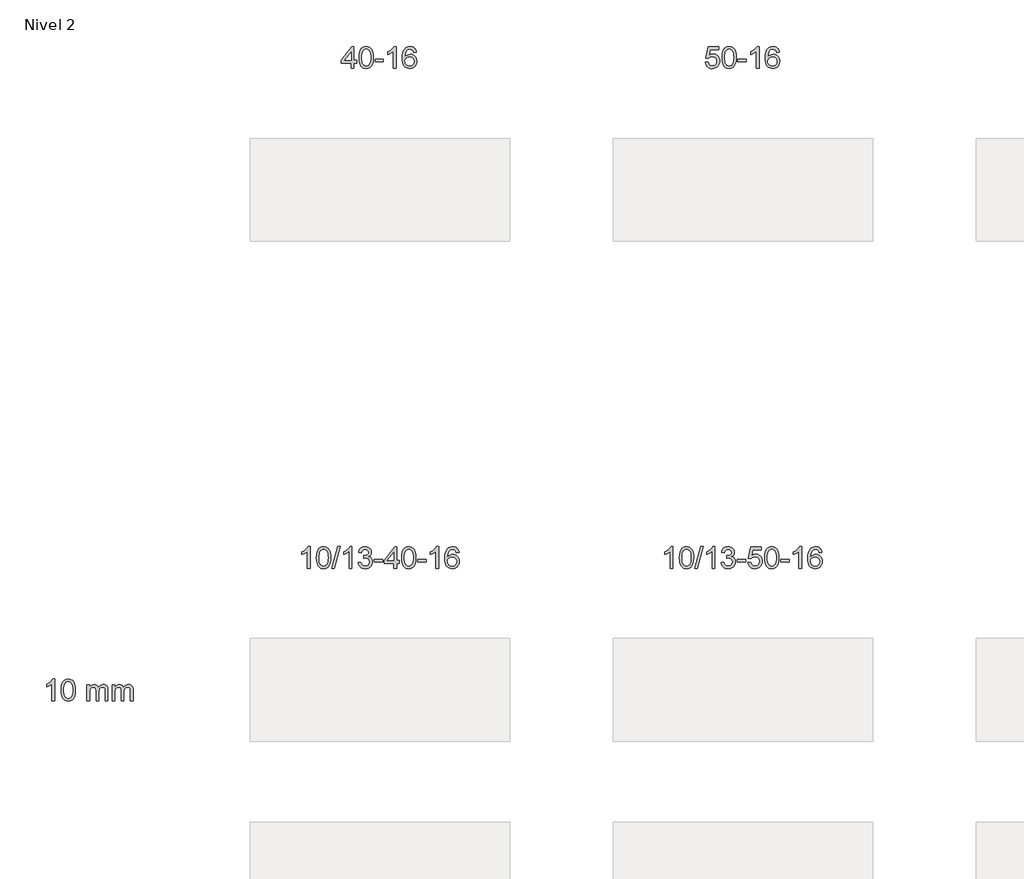
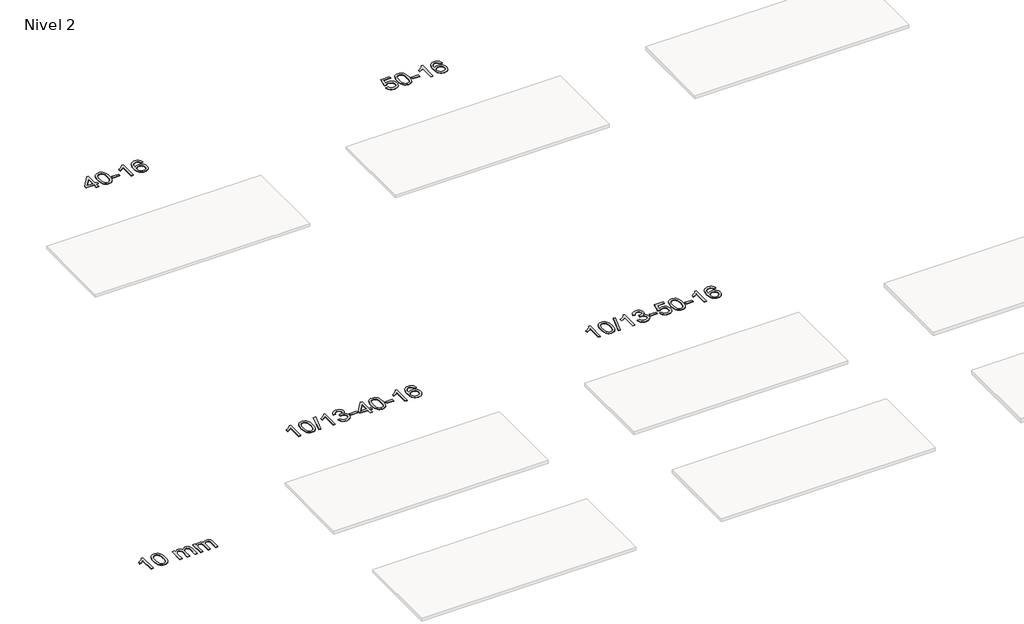
# One storey, part 6 of 51: 5 proxies.
"""IFC4 building model written with IfcOpenShell, lengths in millimetres."""

from ifc_helpers import new_model, si_unit, frame, origin, place, context, project, spatial, polyline, outline, extrude, element, save

model = new_model("IFC4")

# Units and contexts
model_context = context("Model", 3, world=origin())
ifc_project = project(units=[si_unit("LENGTHUNIT", "METRE", prefix="MILLI")], contexts=[model_context])

# Site, building, storey
site = spatial("IfcSite", under=ifc_project)
building = spatial("IfcBuilding", under=site)
storey = spatial("IfcBuildingStorey", under=building, Name="Nivel 2", Elevation=3000.0)

# Proxies
placement = place(None, origin())
element("IfcBuildingElementProxy", 1, Name="Texto de modelo 1", ObjectType="Texto de modelo 1", at=placement, inside=storey, context=model_context, shape_type="SweptSolid", body=[
    extrude(outline(polyline([(-8228.5544368, -95605.4474555), (-8228.5544368, -95511.2696648), (-8410.6314989, -95511.2696648), (-8410.6314989, -95461.0415097), (-8215.997398, -95209.9007343), (-8178.3262817, -95209.9007343), (-8178.3262817, -95461.0415097), (-8128.0981266, -95461.0415097), (-8128.0981266, -95511.2696648), (-8178.3262817, -95511.2696648), (-8178.3262817, -95605.4474555), (-8228.5544368, -95605.4474555)]), holes=[polyline([(-8228.5544368, -95461.0415097), (-8228.5544368, -95305.8443587), (-8348.8273237, -95461.0415097), (-8228.5544368, -95461.0415097)])]), frame((0.0, 0.0, 3000.0), z_axis=(0.0, 0.0, 1.0), x_axis=(1.0, 0.0, 0.0)), (0.0, 0.0, 1.0), 10.0),
    extrude(outline(polyline([(-8084.1484909, -95407.7721968), (-8080.4574082, -95343.4541613), (-8069.3841602, -95292.1591484), (-8051.0391114, -95253.1023433), (-8039.1810484, -95237.868963), (-8025.5326264, -95225.4989309), (-8010.04786, -95215.9278677), (-7992.6807642, -95209.0913939), (-7952.2995838, -95203.6222149), (-7921.3484453, -95206.8595765), (-7893.6346683, -95216.5716612), (-7870.4581027, -95232.3783242), (-7853.1185979, -95253.8994209), (-7840.0219989, -95280.9510103), (-7829.5741503, -95313.3491514), (-7822.7315451, -95354.4906212), (-7820.4506768, -95407.7721968), (-7824.1049713, -95471.7223503), (-7835.0678547, -95522.8947358), (-7853.3025389, -95561.9883292), (-7865.1330108, -95577.2676947), (-7878.7722357, -95589.7021061), (-7894.2753962, -95599.3375487), (-7911.6976743, -95606.2200077), (-7952.2995838, -95611.7259749), (-7979.9643099, -95609.334742), (-8004.4897762, -95602.161043), (-8025.8759829, -95590.2048782), (-8044.1229298, -95573.4662474), (-8061.6341128, -95543.2079533), (-8074.1421006, -95505.5061802), (-8081.6468933, -95460.360928), (-8084.1484909, -95407.7721968)]), holes=[polyline([(-8033.9203358, -95407.6740949), (-8032.4488079, -95451.3386221), (-8028.0342239, -95486.6828848), (-8020.676584, -95513.706883), (-8010.3758882, -95532.4106168), (-7997.9169512, -95545.1362681), (-7984.0845882, -95554.2260191), (-7968.8787991, -95559.6798697), (-7952.2995838, -95561.4978198), (-7935.7203686, -95559.6737383), (-7920.5145795, -95554.2014936), (-7906.6822164, -95545.0810858), (-7894.2232795, -95532.3125149), (-7883.9225837, -95513.5781243), (-7876.5649438, -95486.5602574), (-7872.1503598, -95451.2589143), (-7870.6788318, -95407.6740949), (-7872.1013089, -95365.1653304), (-7876.36874, -95330.4434014), (-7883.4811253, -95303.508308), (-7893.4384646, -95284.3600501), (-7905.6889351, -95271.0120651), (-7919.6807136, -95261.47779), (-7935.4138003, -95255.757225), (-7952.888195, -95253.85037), (-7969.3815712, -95255.5303645), (-7984.3298429, -95260.5703478), (-7997.7330103, -95268.97032), (-8009.5910732, -95280.7302811), (-8020.2351256, -95301.5769275), (-8027.8380202, -95329.683112), (-8032.3997569, -95365.0488344), (-8033.9203358, -95407.6740949)])]), frame((0.0, 0.0, 3000.0), z_axis=(0.0, 0.0, 1.0), x_axis=(1.0, 0.0, 0.0)), (0.0, 0.0, 1.0), 10.0),
    extrude(outline(polyline([(-7789.0580799, -95486.1555872), (-7789.0580799, -95435.9274322), (-7632.0950952, -95435.9274322), (-7632.0950952, -95486.1555872), (-7789.0580799, -95486.1555872)])), frame((0.0, 0.0, 3000.0), z_axis=(0.0, 0.0, 1.0), x_axis=(1.0, 0.0, 0.0)), (0.0, 0.0, 1.0), 10.0),
    extrude(outline(polyline([(-7399.789878, -95605.4474555), (-7450.0180331, -95605.4474555), (-7450.0180331, -95292.3063012), (-7470.9873068, -95309.2656612), (-7497.5974378, -95326.2004957), (-7550.4743432, -95351.5598279), (-7550.4743432, -95304.0785251), (-7511.0251306, -95282.618742), (-7476.8488933, -95257.0877316), (-7449.9076685, -95229.9380403), (-7432.1634936, -95203.6222149), (-7399.789878, -95203.6222149), (-7399.789878, -95605.4474555)])), frame((0.0, 0.0, 3000.0), z_axis=(0.0, 0.0, 1.0), x_axis=(1.0, 0.0, 0.0)), (0.0, 0.0, 1.0), 10.0),
    extrude(outline(polyline([(-7023.078715, -95310.3570445), (-7073.30687, -95316.6355639), (-7081.4002739, -95291.7422155), (-7092.3386319, -95274.7460673), (-7115.1227902, -95259.0742943), (-7142.6648889, -95253.85037), (-7166.0131328, -95256.8915278), (-7187.9879507, -95266.0150013), (-7206.860297, -95285.2307042), (-7222.2745526, -95311.6814197), (-7232.6856131, -95349.0950186), (-7236.548374, -95401.1993718), (-7216.4007034, -95377.6917123), (-7192.2553818, -95361.1247598), (-7165.4613098, -95351.3023105), (-7137.3673881, -95348.0281608), (-7113.2343292, -95350.2661096), (-7090.9652058, -95356.979956), (-7070.5600178, -95368.1697), (-7052.0187652, -95383.8353416), (-7036.610641, -95403.0449132), (-7025.604838, -95424.8664468), (-7019.0013562, -95449.2999427), (-7016.8001956, -95476.3454007), (-7020.9449994, -95512.3119971), (-7033.3794108, -95545.6543686), (-7053.0733603, -95573.9322313), (-7078.9967782, -95594.7053013), (-7109.9724422, -95607.4708065), (-7144.8231299, -95611.7259749), (-7174.7656586, -95608.9055463), (-7201.808051, -95600.4442604), (-7225.9503069, -95586.3421173), (-7247.1924264, -95566.5991168), (-7264.5104713, -95540.3813933), (-7276.8805034, -95506.8550808), (-7284.3025227, -95466.0201794), (-7286.7765291, -95417.8766889), (-7284.0296769, -95363.9022689), (-7275.7891202, -95317.8373117), (-7262.054859, -95279.6818174), (-7242.8268934, -95249.4357861), (-7221.9863784, -95229.3923487), (-7197.8226627, -95215.0756077), (-7170.3357463, -95206.4855631), (-7139.5256292, -95203.6222149), (-7116.391983, -95205.3941799), (-7095.4533661, -95210.7100747), (-7076.7097785, -95219.5698994), (-7060.1612201, -95231.973654), (-7046.2552807, -95247.5044056), (-7035.43955, -95265.7452212), (-7027.7140281, -95286.6961008), (-7023.078715, -95310.3570445)]), holes=[polyline([(-7236.548374, -95475.5605858), (-7233.6421063, -95497.8174465), (-7224.923303, -95519.0687631), (-7211.3852456, -95537.3402355), (-7194.0212154, -95550.6575637), (-7173.0642044, -95558.7877558), (-7148.7472045, -95561.4978198), (-7115.6010367, -95555.8814881), (-7101.6859003, -95548.8610733), (-7089.5427288, -95539.0324927), (-7079.6926883, -95526.794285), (-7072.6569452, -95512.544989), (-7067.0283507, -95478.0131324), (-7072.5833688, -95444.8669646), (-7079.5271414, -95431.2461338), (-7089.2484232, -95419.5934716), (-7101.4283829, -95410.2584659), (-7115.7481895, -95403.5906048), (-7150.8073437, -95398.2563159), (-7183.9044605, -95403.5906048), (-7211.5814493, -95419.5934716), (-7222.5044789, -95431.0928496), (-7230.3066428, -95444.253828), (-7234.9879412, -95459.0764067), (-7236.548374, -95475.5605858)])]), frame((0.0, 0.0, 3000.0), z_axis=(0.0, 0.0, 1.0), x_axis=(1.0, 0.0, 0.0)), (0.0, 0.0, 1.0), 10.0),
])
element("IfcBuildingElementProxy", 2, Name="Texto de modelo 1", ObjectType="Texto de modelo 1", at=placement, inside=storey, context=model_context, shape_type="SweptSolid", body=[
    extrude(outline(polyline([(-1676.8554059, -95498.712626), (-1626.6272509, -95492.4341066), (-1617.4056755, -95522.5881675), (-1601.3169696, -95544.1828406), (-1578.4347095, -95557.169075), (-1548.8324716, -95561.4978198), (-1529.7026079, -95559.9925694), (-1512.829087, -95555.4768179), (-1498.2119091, -95547.9505654), (-1485.851074, -95537.4138119), (-1476.0224934, -95524.3877236), (-1469.0020787, -95509.3934666), (-1463.3857469, -95473.5004466), (-1468.6464594, -95439.704354), (-1475.2223501, -95425.7861518), (-1484.428597, -95413.8545124), (-1496.295857, -95404.2834492), (-1510.854787, -95397.4469755), (-1548.0476567, -95391.9777965), (-1572.4137075, -95394.160563), (-1592.1444452, -95400.7088625), (-1607.9020573, -95410.7397782), (-1620.3487315, -95423.3703934), (-1670.5768865, -95417.091874), (-1626.6272509, -95209.9007343), (-1431.9931499, -95209.9007343), (-1431.9931499, -95260.1288894), (-1586.0130786, -95260.1288894), (-1607.4973871, -95370.7877935), (-1589.7716063, -95358.083602), (-1571.6166298, -95349.0091794), (-1553.0324577, -95343.5645259), (-1534.0190899, -95341.7496414), (-1509.5580029, -95343.9998529), (-1487.0896101, -95350.7504875), (-1466.6139114, -95362.0015452), (-1448.1309068, -95377.753026), (-1432.8300815, -95397.0423053), (-1421.9009205, -95418.9067585), (-1415.343424, -95443.3463857), (-1413.1575918, -95470.3611869), (-1415.1257605, -95496.3827067), (-1421.0302665, -95520.589342), (-1430.8711099, -95542.9810928), (-1444.6482906, -95563.557959), (-1465.5194624, -95584.631466), (-1489.8732505, -95599.6839709), (-1517.7096548, -95608.7154739), (-1549.0286753, -95611.7259749), (-1574.9490276, -95609.7915288), (-1598.3616509, -95603.9881903), (-1619.2665453, -95594.3159595), (-1637.6637107, -95580.7748364), (-1652.9706674, -95564.0392713), (-1664.6049355, -95544.7837145), (-1672.566515, -95523.0081661), (-1676.8554059, -95498.712626)])), frame((0.0, 0.0, 3000.0), z_axis=(0.0, 0.0, 1.0), x_axis=(1.0, 0.0, 0.0)), (0.0, 0.0, 1.0), 10.0),
    extrude(outline(polyline([(-1369.2079561, -95407.7721968), (-1365.5168734, -95343.4541613), (-1354.4436254, -95292.1591484), (-1336.0985765, -95253.1023433), (-1324.2405135, -95237.868963), (-1310.5920915, -95225.4989309), (-1295.1073252, -95215.9278677), (-1277.7402294, -95209.0913939), (-1237.359049, -95203.6222149), (-1206.4079105, -95206.8595765), (-1178.6941335, -95216.5716612), (-1155.5175678, -95232.3783242), (-1138.1780631, -95253.8994209), (-1125.0814641, -95280.9510103), (-1114.6336154, -95313.3491514), (-1107.7910103, -95354.4906212), (-1105.510142, -95407.7721968), (-1109.1644364, -95471.7223503), (-1120.1273199, -95522.8947358), (-1138.3620041, -95561.9883292), (-1150.1924759, -95577.2676947), (-1163.8317009, -95589.7021061), (-1179.3348613, -95599.3375487), (-1196.7571395, -95606.2200077), (-1237.359049, -95611.7259749), (-1265.0237751, -95609.334742), (-1289.5492414, -95602.161043), (-1310.9354481, -95590.2048782), (-1329.182395, -95573.4662474), (-1346.693578, -95543.2079533), (-1359.2015658, -95505.5061802), (-1366.7063585, -95460.360928), (-1369.2079561, -95407.7721968)]), holes=[polyline([(-1318.979801, -95407.6740949), (-1317.508273, -95451.3386221), (-1313.0936891, -95486.6828848), (-1305.7360492, -95513.706883), (-1295.4353533, -95532.4106168), (-1282.9764164, -95545.1362681), (-1269.1440534, -95554.2260191), (-1253.9382643, -95559.6798697), (-1237.359049, -95561.4978198), (-1220.7798338, -95559.6737383), (-1205.5740446, -95554.2014936), (-1191.7416816, -95545.0810858), (-1179.2827447, -95532.3125149), (-1168.9820489, -95513.5781243), (-1161.6244089, -95486.5602574), (-1157.209825, -95451.2589143), (-1155.738297, -95407.6740949), (-1157.1607741, -95365.1653304), (-1161.4282052, -95330.4434014), (-1168.5405905, -95303.508308), (-1178.4979298, -95284.3600501), (-1190.7484002, -95271.0120651), (-1204.7401788, -95261.47779), (-1220.4732654, -95255.757225), (-1237.9476602, -95253.85037), (-1254.4410363, -95255.5303645), (-1269.3893081, -95260.5703478), (-1282.7924754, -95268.97032), (-1294.6505384, -95280.7302811), (-1305.2945908, -95301.5769275), (-1312.8974854, -95329.683112), (-1317.4592221, -95365.0488344), (-1318.979801, -95407.6740949)])]), frame((0.0, 0.0, 3000.0), z_axis=(0.0, 0.0, 1.0), x_axis=(1.0, 0.0, 0.0)), (0.0, 0.0, 1.0), 10.0),
    extrude(outline(polyline([(-1074.117545, -95486.1555872), (-1074.117545, -95435.9274322), (-917.1545604, -95435.9274322), (-917.1545604, -95486.1555872), (-1074.117545, -95486.1555872)])), frame((0.0, 0.0, 3000.0), z_axis=(0.0, 0.0, 1.0), x_axis=(1.0, 0.0, 0.0)), (0.0, 0.0, 1.0), 10.0),
    extrude(outline(polyline([(-684.8493432, -95605.4474555), (-735.0774983, -95605.4474555), (-735.0774983, -95292.3063012), (-756.046772, -95309.2656612), (-782.656903, -95326.2004957), (-835.5338084, -95351.5598279), (-835.5338084, -95304.0785251), (-796.0845958, -95282.618742), (-761.9083585, -95257.0877316), (-734.9671337, -95229.9380403), (-717.2229588, -95203.6222149), (-684.8493432, -95203.6222149), (-684.8493432, -95605.4474555)])), frame((0.0, 0.0, 3000.0), z_axis=(0.0, 0.0, 1.0), x_axis=(1.0, 0.0, 0.0)), (0.0, 0.0, 1.0), 10.0),
    extrude(outline(polyline([(-308.1381801, -95310.3570445), (-358.3663352, -95316.6355639), (-366.4597391, -95291.7422155), (-377.3980971, -95274.7460673), (-400.1822553, -95259.0742943), (-427.724354, -95253.85037), (-451.072598, -95256.8915278), (-473.0474158, -95266.0150013), (-491.9197622, -95285.2307042), (-507.3340178, -95311.6814197), (-517.7450783, -95349.0950186), (-521.6078392, -95401.1993718), (-501.4601686, -95377.6917123), (-477.314847, -95361.1247598), (-450.520775, -95351.3023105), (-422.4268533, -95348.0281608), (-398.2937944, -95350.2661096), (-376.024671, -95356.979956), (-355.619483, -95368.1697), (-337.0782304, -95383.8353416), (-321.6701062, -95403.0449132), (-310.6643032, -95424.8664468), (-304.0608214, -95449.2999427), (-301.8596608, -95476.3454007), (-306.0044646, -95512.3119971), (-318.438876, -95545.6543686), (-338.1328255, -95573.9322313), (-364.0562434, -95594.7053013), (-395.0319074, -95607.4708065), (-429.8825951, -95611.7259749), (-459.8251238, -95608.9055463), (-486.8675161, -95600.4442604), (-511.0097721, -95586.3421173), (-532.2518916, -95566.5991168), (-549.5699365, -95540.3813933), (-561.9399686, -95506.8550808), (-569.3619879, -95466.0201794), (-571.8359943, -95417.8766889), (-569.089142, -95363.9022689), (-560.8485854, -95317.8373117), (-547.1143242, -95279.6818174), (-527.8863586, -95249.4357861), (-507.0458436, -95229.3923487), (-482.8821278, -95215.0756077), (-455.3952114, -95206.4855631), (-424.5850943, -95203.6222149), (-401.4514482, -95205.3941799), (-380.5128313, -95210.7100747), (-361.7692437, -95219.5698994), (-345.2206853, -95231.973654), (-331.3147458, -95247.5044056), (-320.4990152, -95265.7452212), (-312.7734933, -95286.6961008), (-308.1381801, -95310.3570445)]), holes=[polyline([(-521.6078392, -95475.5605858), (-518.7015714, -95497.8174465), (-509.9827682, -95519.0687631), (-496.4447107, -95537.3402355), (-479.0806806, -95550.6575637), (-458.1236696, -95558.7877558), (-433.8066697, -95561.4978198), (-400.6605019, -95555.8814881), (-386.7453655, -95548.8610733), (-374.6021939, -95539.0324927), (-364.7521535, -95526.794285), (-357.7164104, -95512.544989), (-352.0878158, -95478.0131324), (-357.642834, -95444.8669646), (-364.5866066, -95431.2461338), (-374.3078883, -95419.5934716), (-386.4878481, -95410.2584659), (-400.8076547, -95403.5906048), (-435.8668089, -95398.2563159), (-468.9639257, -95403.5906048), (-496.6409145, -95419.5934716), (-507.563944, -95431.0928496), (-515.366108, -95444.253828), (-520.0474064, -95459.0764067), (-521.6078392, -95475.5605858)])]), frame((0.0, 0.0, 3000.0), z_axis=(0.0, 0.0, 1.0), x_axis=(1.0, 0.0, 0.0)), (0.0, 0.0, 1.0), 10.0),
])
element("IfcBuildingElementProxy", 3, Name="Texto de modelo 1", ObjectType="Texto de modelo 1", at=placement, inside=storey, context=model_context, shape_type="SweptSolid", body=[
    extrude(outline(polyline([(-8991.394542, -104863.8281584), (-9041.622697, -104863.8281584), (-9041.622697, -104550.6870041), (-9062.5919708, -104567.6463641), (-9089.2021017, -104584.5811986), (-9142.0790072, -104609.9405308), (-9142.0790072, -104562.459228), (-9102.6297946, -104540.9994449), (-9068.4535572, -104515.4684345), (-9041.5123324, -104488.3187432), (-9023.7681575, -104462.0029178), (-8991.394542, -104462.0029178), (-8991.394542, -104863.8281584)])), frame((0.0, 0.0, 3000.0), z_axis=(0.0, 0.0, 1.0), x_axis=(1.0, 0.0, 0.0)), (0.0, 0.0, 1.0), 10.0),
    extrude(outline(polyline([(-8872.1026737, -104666.1528997), (-8868.411591, -104601.8348642), (-8857.3383429, -104550.5398513), (-8838.9932941, -104511.4830462), (-8827.1352311, -104496.2496659), (-8813.4868091, -104483.8796338), (-8798.0020428, -104474.3085706), (-8780.6349469, -104467.4720968), (-8740.2537666, -104462.0029178), (-8709.3026281, -104465.2402794), (-8681.5888511, -104474.9523641), (-8658.4122854, -104490.7590271), (-8641.0727807, -104512.2801238), (-8627.9761817, -104539.3317132), (-8617.528333, -104571.7298543), (-8610.6857279, -104612.8713241), (-8608.4048595, -104666.1528997), (-8612.059154, -104730.1030532), (-8623.0220375, -104781.2754387), (-8641.2567217, -104820.3690321), (-8653.0871935, -104835.6483976), (-8666.7264185, -104848.082809), (-8682.2295789, -104857.7182516), (-8699.651857, -104864.6007106), (-8740.2537666, -104870.1066778), (-8767.9184926, -104867.7154449), (-8792.443959, -104860.5417459), (-8813.8301656, -104848.5855811), (-8832.0771126, -104831.8469503), (-8849.5882955, -104801.5886562), (-8862.0962834, -104763.8868831), (-8869.6010761, -104718.7416309), (-8872.1026737, -104666.1528997)]), holes=[polyline([(-8821.8745186, -104666.0547978), (-8820.4029906, -104709.719325), (-8815.9884067, -104745.0635877), (-8808.6307668, -104772.0875859), (-8798.3300709, -104790.7913197), (-8785.871134, -104803.516971), (-8772.038771, -104812.606722), (-8756.8329818, -104818.0605726), (-8740.2537666, -104819.8785227), (-8723.6745513, -104818.0544412), (-8708.4687622, -104812.5821965), (-8694.6363992, -104803.4617887), (-8682.1774623, -104790.6932178), (-8671.8767664, -104771.9588272), (-8664.5191265, -104744.9409603), (-8660.1045426, -104709.6396172), (-8658.6330146, -104666.0547978), (-8660.0554916, -104623.5460333), (-8664.3229228, -104588.8241043), (-8671.435308, -104561.8890109), (-8681.3926474, -104542.740753), (-8693.6431178, -104529.392768), (-8707.6348963, -104519.8584929), (-8723.367983, -104514.1379279), (-8740.8423778, -104512.2310729), (-8757.3357539, -104513.9110674), (-8772.2840256, -104518.9510507), (-8785.687193, -104527.3510229), (-8797.545256, -104539.110984), (-8808.1893084, -104559.9576304), (-8815.7922029, -104588.0638149), (-8820.3539397, -104623.4295373), (-8821.8745186, -104666.0547978)])]), frame((0.0, 0.0, 3000.0), z_axis=(0.0, 0.0, 1.0), x_axis=(1.0, 0.0, 0.0)), (0.0, 0.0, 1.0), 10.0),
    extrude(outline(polyline([(-8589.5693014, -104863.8281584), (-8476.5559524, -104462.0029178), (-8431.2328906, -104462.0029178), (-8544.2462396, -104863.8281584), (-8589.5693014, -104863.8281584)])), frame((0.0, 0.0, 3000.0), z_axis=(0.0, 0.0, 1.0), x_axis=(1.0, 0.0, 0.0)), (0.0, 0.0, 1.0), 10.0),
    extrude(outline(polyline([(-8219.1366577, -104863.8281584), (-8269.3648128, -104863.8281584), (-8269.3648128, -104550.6870041), (-8290.3340865, -104567.6463641), (-8316.9442175, -104584.5811986), (-8369.8211229, -104609.9405308), (-8369.8211229, -104562.459228), (-8330.3719103, -104540.9994449), (-8296.1956729, -104515.4684345), (-8269.2544482, -104488.3187432), (-8251.5102733, -104462.0029178), (-8219.1366577, -104462.0029178), (-8219.1366577, -104863.8281584)])), frame((0.0, 0.0, 3000.0), z_axis=(0.0, 0.0, 1.0), x_axis=(1.0, 0.0, 0.0)), (0.0, 0.0, 1.0), 10.0),
    extrude(outline(polyline([(-8099.8447894, -104757.0933289), (-8049.6166343, -104750.8148095), (-8038.371708, -104782.3790847), (-8021.9028573, -104803.691715), (-7999.400742, -104815.8318208), (-7970.0560215, -104819.8785227), (-7935.6222667, -104814.3112419), (-7921.3484453, -104807.3521408), (-7909.0366612, -104797.6093993), (-7892.040513, -104772.6915255), (-7886.3751303, -104742.476151), (-7891.9914621, -104713.7936181), (-7908.8404575, -104690.5312132), (-7934.3469425, -104675.1169576), (-7965.9357431, -104669.9788724), (-8001.1543128, -104675.4725769), (-7995.5625065, -104625.2444218), (-7987.5181535, -104625.833033), (-7957.4254063, -104622.2277895), (-7930.5209697, -104611.4120588), (-7919.4477217, -104603.2328158), (-7911.5382588, -104593.1160609), (-7906.792581, -104581.0617942), (-7905.2106885, -104567.0700157), (-7909.7969507, -104545.3772407), (-7923.5557373, -104527.7802186), (-7944.5495365, -104516.1183593), (-7970.8408364, -104512.2310729), (-7997.1811873, -104516.1551475), (-8018.7145467, -104527.9273714), (-8034.4353706, -104547.5477445), (-8043.3381149, -104575.0162668), (-8093.56627, -104568.7377474), (-8087.612713, -104544.7579727), (-8078.7774138, -104523.6354148), (-8067.0603722, -104505.3700737), (-8052.4615884, -104489.9619495), (-8035.4409148, -104477.7298731), (-8016.4582038, -104468.9926757), (-7995.5134555, -104463.7503573), (-7972.60667, -104462.0029178), (-7941.0301321, -104465.4487459), (-7912.0287681, -104475.7862299), (-7887.5768782, -104492.095665), (-7869.6487623, -104513.4573462), (-7858.6490906, -104538.0686517), (-7854.9825334, -104564.1269597), (-7858.4651496, -104588.4071714), (-7868.9129983, -104610.4310402), (-7886.1789266, -104629.1930219), (-7910.1157817, -104643.6875725), (-7878.6741339, -104656.3917641), (-7855.3749408, -104678.0232254), (-7840.9539666, -104707.4047341), (-7836.1469752, -104743.3590678), (-7838.5504709, -104768.8410273), (-7845.760958, -104792.3118986), (-7857.7784366, -104813.7716816), (-7874.6029065, -104833.2203764), (-7895.100065, -104849.3581333), (-7918.1356092, -104860.8851025), (-7943.7095393, -104867.801284), (-7971.8218551, -104870.1066778), (-7997.2302382, -104868.1385091), (-8020.3822784, -104862.2340031), (-8041.2779757, -104852.3931598), (-8059.9173302, -104838.615979), (-8075.5461836, -104821.7118014), (-8087.4103779, -104802.4899671), (-8095.5099132, -104780.9504763), (-8099.8447894, -104757.0933289)])), frame((0.0, 0.0, 3000.0), z_axis=(0.0, 0.0, 1.0), x_axis=(1.0, 0.0, 0.0)), (0.0, 0.0, 1.0), 10.0),
    extrude(outline(polyline([(-7804.7543783, -104744.5362901), (-7804.7543783, -104694.3081351), (-7647.7913937, -104694.3081351), (-7647.7913937, -104744.5362901), (-7804.7543783, -104744.5362901)])), frame((0.0, 0.0, 3000.0), z_axis=(0.0, 0.0, 1.0), x_axis=(1.0, 0.0, 0.0)), (0.0, 0.0, 1.0), 10.0),
    extrude(outline(polyline([(-7440.600254, -104863.8281584), (-7440.600254, -104769.6503677), (-7622.6773162, -104769.6503677), (-7622.6773162, -104719.4222126), (-7428.0432153, -104468.2814372), (-7390.3720989, -104468.2814372), (-7390.3720989, -104719.4222126), (-7340.1439439, -104719.4222126), (-7340.1439439, -104769.6503677), (-7390.3720989, -104769.6503677), (-7390.3720989, -104863.8281584), (-7440.600254, -104863.8281584)]), holes=[polyline([(-7440.600254, -104719.4222126), (-7440.600254, -104564.2250616), (-7560.873141, -104719.4222126), (-7440.600254, -104719.4222126)])]), frame((0.0, 0.0, 3000.0), z_axis=(0.0, 0.0, 1.0), x_axis=(1.0, 0.0, 0.0)), (0.0, 0.0, 1.0), 10.0),
    extrude(outline(polyline([(-7296.1943082, -104666.1528997), (-7292.5032255, -104601.8348642), (-7281.4299774, -104550.5398513), (-7263.0849286, -104511.4830462), (-7251.2268656, -104496.2496659), (-7237.5784436, -104483.8796338), (-7222.0936773, -104474.3085706), (-7204.7265814, -104467.4720968), (-7164.3454011, -104462.0029178), (-7133.3942626, -104465.2402794), (-7105.6804856, -104474.9523641), (-7082.5039199, -104490.7590271), (-7065.1644152, -104512.2801238), (-7052.0678162, -104539.3317132), (-7041.6199675, -104571.7298543), (-7034.7773624, -104612.8713241), (-7032.496494, -104666.1528997), (-7036.1507885, -104730.1030532), (-7047.113672, -104781.2754387), (-7065.3483562, -104820.3690321), (-7077.178828, -104835.6483976), (-7090.818053, -104848.082809), (-7106.3212134, -104857.7182516), (-7123.7434916, -104864.6007106), (-7164.3454011, -104870.1066778), (-7192.0101271, -104867.7154449), (-7216.5355935, -104860.5417459), (-7237.9218001, -104848.5855811), (-7256.1687471, -104831.8469503), (-7273.6799301, -104801.5886562), (-7286.1879179, -104763.8868831), (-7293.6927106, -104718.7416309), (-7296.1943082, -104666.1528997)]), holes=[polyline([(-7245.9661531, -104666.0547978), (-7244.4946251, -104709.719325), (-7240.0800412, -104745.0635877), (-7232.7224013, -104772.0875859), (-7222.4217054, -104790.7913197), (-7209.9627685, -104803.516971), (-7196.1304055, -104812.606722), (-7180.9246164, -104818.0605726), (-7164.3454011, -104819.8785227), (-7147.7661859, -104818.0544412), (-7132.5603967, -104812.5821965), (-7118.7280337, -104803.4617887), (-7106.2690968, -104790.6932178), (-7095.9684009, -104771.9588272), (-7088.610761, -104744.9409603), (-7084.1961771, -104709.6396172), (-7082.7246491, -104666.0547978), (-7084.1471262, -104623.5460333), (-7088.4145573, -104588.8241043), (-7095.5269425, -104561.8890109), (-7105.4842819, -104542.740753), (-7117.7347523, -104529.392768), (-7131.7265309, -104519.8584929), (-7147.4596175, -104514.1379279), (-7164.9340123, -104512.2310729), (-7181.4273884, -104513.9110674), (-7196.3756602, -104518.9510507), (-7209.7788275, -104527.3510229), (-7221.6368905, -104539.110984), (-7232.2809429, -104559.9576304), (-7239.8838375, -104588.0638149), (-7244.4455742, -104623.4295373), (-7245.9661531, -104666.0547978)])]), frame((0.0, 0.0, 3000.0), z_axis=(0.0, 0.0, 1.0), x_axis=(1.0, 0.0, 0.0)), (0.0, 0.0, 1.0), 10.0),
    extrude(outline(polyline([(-7001.1038971, -104744.5362901), (-7001.1038971, -104694.3081351), (-6844.1409125, -104694.3081351), (-6844.1409125, -104744.5362901), (-7001.1038971, -104744.5362901)])), frame((0.0, 0.0, 3000.0), z_axis=(0.0, 0.0, 1.0), x_axis=(1.0, 0.0, 0.0)), (0.0, 0.0, 1.0), 10.0),
    extrude(outline(polyline([(-6611.8356953, -104863.8281584), (-6662.0638504, -104863.8281584), (-6662.0638504, -104550.6870041), (-6683.0331241, -104567.6463641), (-6709.6432551, -104584.5811986), (-6762.5201605, -104609.9405308), (-6762.5201605, -104562.459228), (-6723.0709479, -104540.9994449), (-6688.8947105, -104515.4684345), (-6661.9534858, -104488.3187432), (-6644.2093109, -104462.0029178), (-6611.8356953, -104462.0029178), (-6611.8356953, -104863.8281584)])), frame((0.0, 0.0, 3000.0), z_axis=(0.0, 0.0, 1.0), x_axis=(1.0, 0.0, 0.0)), (0.0, 0.0, 1.0), 10.0),
    extrude(outline(polyline([(-6235.1245322, -104568.7377474), (-6285.3526873, -104575.0162668), (-6293.4460912, -104550.1229184), (-6304.3844492, -104533.1267702), (-6327.1686074, -104517.4549972), (-6354.7107061, -104512.2310729), (-6378.0589501, -104515.2722307), (-6400.0337679, -104524.3957042), (-6418.9061143, -104543.6114071), (-6434.3203699, -104570.0621226), (-6444.7314303, -104607.4757215), (-6448.5941913, -104659.5800747), (-6428.4465207, -104636.0724152), (-6404.3011991, -104619.5054627), (-6377.5071271, -104609.6830134), (-6349.4132054, -104606.4088637), (-6325.2801465, -104608.6468125), (-6303.0110231, -104615.3606589), (-6282.6058351, -104626.5504029), (-6264.0645825, -104642.2160445), (-6248.6564583, -104661.4256161), (-6237.6506553, -104683.2471497), (-6231.0471734, -104707.6806456), (-6228.8460128, -104734.7261036), (-6232.9908167, -104770.6927), (-6245.4252281, -104804.0350715), (-6265.1191776, -104832.3129342), (-6291.0425955, -104853.0860042), (-6322.0182595, -104865.8515094), (-6356.8689472, -104870.1066778), (-6386.8114759, -104867.2862492), (-6413.8538682, -104858.8249633), (-6437.9961241, -104844.7228202), (-6459.2382437, -104824.9798197), (-6476.5562886, -104798.7620962), (-6488.9263207, -104765.2357837), (-6496.34834, -104724.4008823), (-6498.8223464, -104676.2573918), (-6496.0754941, -104622.2829718), (-6487.8349374, -104576.2180146), (-6474.1006763, -104538.0625203), (-6454.8727107, -104507.816489), (-6434.0321957, -104487.7730516), (-6409.8684799, -104473.4563106), (-6382.3815635, -104464.866266), (-6351.5714464, -104462.0029178), (-6328.4378003, -104463.7748828), (-6307.4991834, -104469.0907776), (-6288.7555958, -104477.9506023), (-6272.2070373, -104490.3543569), (-6258.3010979, -104505.8851085), (-6247.4853673, -104524.1259241), (-6239.7598454, -104545.0768037), (-6235.1245322, -104568.7377474)]), holes=[polyline([(-6448.5941913, -104733.9412887), (-6445.6879235, -104756.1981494), (-6436.9691202, -104777.449466), (-6423.4310628, -104795.7209384), (-6406.0670327, -104809.0382666), (-6385.1100217, -104817.1684587), (-6360.7930218, -104819.8785227), (-6327.646854, -104814.262191), (-6313.7317175, -104807.2417762), (-6301.588546, -104797.4131956), (-6291.7385056, -104785.1749879), (-6284.7027624, -104770.9256919), (-6279.0741679, -104736.3938353), (-6284.629186, -104703.2476675), (-6291.5729587, -104689.6268367), (-6301.2942404, -104677.9741745), (-6313.4742001, -104668.6391688), (-6327.7940068, -104661.9713077), (-6362.853161, -104656.6370188), (-6395.9502778, -104661.9713077), (-6423.6272666, -104677.9741745), (-6434.5502961, -104689.4735525), (-6442.3524601, -104702.6345309), (-6447.0337585, -104717.4571096), (-6448.5941913, -104733.9412887)])]), frame((0.0, 0.0, 3000.0), z_axis=(0.0, 0.0, 1.0), x_axis=(1.0, 0.0, 0.0)), (0.0, 0.0, 1.0), 10.0),
])
element("IfcBuildingElementProxy", 4, Name="Texto de modelo 1", ObjectType="Texto de modelo 1", at=placement, inside=storey, context=model_context, shape_type="SweptSolid", body=[
    extrude(outline(polyline([(-2276.4540071, -104863.8281584), (-2326.6821622, -104863.8281584), (-2326.6821622, -104550.6870041), (-2347.6514359, -104567.6463641), (-2374.2615669, -104584.5811986), (-2427.1384724, -104609.9405308), (-2427.1384724, -104562.459228), (-2387.6892597, -104540.9994449), (-2353.5130224, -104515.4684345), (-2326.5717976, -104488.3187432), (-2308.8276227, -104462.0029178), (-2276.4540071, -104462.0029178), (-2276.4540071, -104863.8281584)])), frame((0.0, 0.0, 3000.0), z_axis=(0.0, 0.0, 1.0), x_axis=(1.0, 0.0, 0.0)), (0.0, 0.0, 1.0), 10.0),
    extrude(outline(polyline([(-2157.1621388, -104666.1528997), (-2153.4710561, -104601.8348642), (-2142.3978081, -104550.5398513), (-2124.0527593, -104511.4830462), (-2112.1946963, -104496.2496659), (-2098.5462743, -104483.8796338), (-2083.061508, -104474.3085706), (-2065.6944121, -104467.4720968), (-2025.3132318, -104462.0029178), (-1994.3620932, -104465.2402794), (-1966.6483163, -104474.9523641), (-1943.4717506, -104490.7590271), (-1926.1322459, -104512.2801238), (-1913.0356468, -104539.3317132), (-1902.5877982, -104571.7298543), (-1895.7451931, -104612.8713241), (-1893.4643247, -104666.1528997), (-1897.1186192, -104730.1030532), (-1908.0815026, -104781.2754387), (-1926.3161869, -104820.3690321), (-1938.1466587, -104835.6483976), (-1951.7858837, -104848.082809), (-1967.2890441, -104857.7182516), (-1984.7113222, -104864.6007106), (-2025.3132318, -104870.1066778), (-2052.9779578, -104867.7154449), (-2077.5034241, -104860.5417459), (-2098.8896308, -104848.5855811), (-2117.1365778, -104831.8469503), (-2134.6477607, -104801.5886562), (-2147.1557486, -104763.8868831), (-2154.6605413, -104718.7416309), (-2157.1621388, -104666.1528997)]), holes=[polyline([(-2106.9339838, -104666.0547978), (-2105.4624558, -104709.719325), (-2101.0478718, -104745.0635877), (-2093.6902319, -104772.0875859), (-2083.3895361, -104790.7913197), (-2070.9305992, -104803.516971), (-2057.0982361, -104812.606722), (-2041.892447, -104818.0605726), (-2025.3132318, -104819.8785227), (-2008.7340165, -104818.0544412), (-1993.5282274, -104812.5821965), (-1979.6958644, -104803.4617887), (-1967.2369275, -104790.6932178), (-1956.9362316, -104771.9588272), (-1949.5785917, -104744.9409603), (-1945.1640077, -104709.6396172), (-1943.6924798, -104666.0547978), (-1945.1149568, -104623.5460333), (-1949.382388, -104588.8241043), (-1956.4947732, -104561.8890109), (-1966.4521125, -104542.740753), (-1978.702583, -104529.392768), (-1992.6943615, -104519.8584929), (-2008.4274482, -104514.1379279), (-2025.9018429, -104512.2310729), (-2042.3952191, -104513.9110674), (-2057.3434908, -104518.9510507), (-2070.7466582, -104527.3510229), (-2082.6047211, -104539.110984), (-2093.2487735, -104559.9576304), (-2100.8516681, -104588.0638149), (-2105.4134048, -104623.4295373), (-2106.9339838, -104666.0547978)])]), frame((0.0, 0.0, 3000.0), z_axis=(0.0, 0.0, 1.0), x_axis=(1.0, 0.0, 0.0)), (0.0, 0.0, 1.0), 10.0),
    extrude(outline(polyline([(-1874.6287665, -104863.8281584), (-1761.6154176, -104462.0029178), (-1716.2923558, -104462.0029178), (-1829.3057047, -104863.8281584), (-1874.6287665, -104863.8281584)])), frame((0.0, 0.0, 3000.0), z_axis=(0.0, 0.0, 1.0), x_axis=(1.0, 0.0, 0.0)), (0.0, 0.0, 1.0), 10.0),
    extrude(outline(polyline([(-1504.1961229, -104863.8281584), (-1554.4242779, -104863.8281584), (-1554.4242779, -104550.6870041), (-1575.3935517, -104567.6463641), (-1602.0036826, -104584.5811986), (-1654.8805881, -104609.9405308), (-1654.8805881, -104562.459228), (-1615.4313755, -104540.9994449), (-1581.2551381, -104515.4684345), (-1554.3139133, -104488.3187432), (-1536.5697384, -104462.0029178), (-1504.1961229, -104462.0029178), (-1504.1961229, -104863.8281584)])), frame((0.0, 0.0, 3000.0), z_axis=(0.0, 0.0, 1.0), x_axis=(1.0, 0.0, 0.0)), (0.0, 0.0, 1.0), 10.0),
    extrude(outline(polyline([(-1384.9042546, -104757.0933289), (-1334.6760995, -104750.8148095), (-1323.4311732, -104782.3790847), (-1306.9623225, -104803.691715), (-1284.4602071, -104815.8318208), (-1255.1154867, -104819.8785227), (-1220.6817319, -104814.3112419), (-1206.4079105, -104807.3521408), (-1194.0961264, -104797.6093993), (-1177.0999782, -104772.6915255), (-1171.4345955, -104742.476151), (-1177.0509273, -104713.7936181), (-1193.8999227, -104690.5312132), (-1219.4064077, -104675.1169576), (-1250.9952083, -104669.9788724), (-1286.213778, -104675.4725769), (-1280.6219717, -104625.2444218), (-1272.5776187, -104625.833033), (-1242.4848715, -104622.2277895), (-1215.5804349, -104611.4120588), (-1204.5071869, -104603.2328158), (-1196.597724, -104593.1160609), (-1191.8520462, -104581.0617942), (-1190.2701536, -104567.0700157), (-1194.8564158, -104545.3772407), (-1208.6152025, -104527.7802186), (-1229.6090017, -104516.1183593), (-1255.9003016, -104512.2310729), (-1282.2406524, -104516.1551475), (-1303.7740119, -104527.9273714), (-1319.4948358, -104547.5477445), (-1328.3975801, -104575.0162668), (-1378.6257352, -104568.7377474), (-1372.6721782, -104544.7579727), (-1363.836879, -104523.6354148), (-1352.1198374, -104505.3700737), (-1337.5210536, -104489.9619495), (-1320.5003799, -104477.7298731), (-1301.517669, -104468.9926757), (-1280.5729207, -104463.7503573), (-1257.6661352, -104462.0029178), (-1226.0895972, -104465.4487459), (-1197.0882333, -104475.7862299), (-1172.6363433, -104492.095665), (-1154.7082274, -104513.4573462), (-1143.7085558, -104538.0686517), (-1140.0419986, -104564.1269597), (-1143.5246148, -104588.4071714), (-1153.9724634, -104610.4310402), (-1171.2383918, -104629.1930219), (-1195.1752469, -104643.6875725), (-1163.7335991, -104656.3917641), (-1140.434406, -104678.0232254), (-1126.0134318, -104707.4047341), (-1121.2064404, -104743.3590678), (-1123.6099361, -104768.8410273), (-1130.8204232, -104792.3118986), (-1142.8379017, -104813.7716816), (-1159.6623716, -104833.2203764), (-1180.1595301, -104849.3581333), (-1203.1950744, -104860.8851025), (-1228.7690044, -104867.801284), (-1256.8813202, -104870.1066778), (-1282.2897034, -104868.1385091), (-1305.4417436, -104862.2340031), (-1326.3374409, -104852.3931598), (-1344.9767953, -104838.615979), (-1360.6056488, -104821.7118014), (-1372.4698431, -104802.4899671), (-1380.5693784, -104780.9504763), (-1384.9042546, -104757.0933289)])), frame((0.0, 0.0, 3000.0), z_axis=(0.0, 0.0, 1.0), x_axis=(1.0, 0.0, 0.0)), (0.0, 0.0, 1.0), 10.0),
    extrude(outline(polyline([(-1089.8138435, -104744.5362901), (-1089.8138435, -104694.3081351), (-932.8508589, -104694.3081351), (-932.8508589, -104744.5362901), (-1089.8138435, -104744.5362901)])), frame((0.0, 0.0, 3000.0), z_axis=(0.0, 0.0, 1.0), x_axis=(1.0, 0.0, 0.0)), (0.0, 0.0, 1.0), 10.0),
    extrude(outline(polyline([(-888.9012232, -104757.0933289), (-838.6730681, -104750.8148095), (-829.4514928, -104780.9688704), (-813.3627868, -104802.5635435), (-790.4805267, -104815.5497779), (-760.8782889, -104819.8785227), (-741.7484251, -104818.3732723), (-724.8749043, -104813.8575208), (-710.2577263, -104806.3312683), (-697.8968913, -104795.7945148), (-688.0683107, -104782.7684265), (-681.0478959, -104767.7741695), (-675.4315641, -104731.8811495), (-680.6922767, -104698.0850569), (-687.2681673, -104684.1668547), (-696.4744142, -104672.2352153), (-708.3416743, -104662.6641521), (-722.9006042, -104655.8276784), (-760.0934739, -104650.3584994), (-784.4595248, -104652.5412659), (-804.1902624, -104659.0895654), (-819.9478746, -104669.1204811), (-832.3945487, -104681.7510963), (-882.6227038, -104675.4725769), (-838.6730681, -104468.2814372), (-644.0389672, -104468.2814372), (-644.0389672, -104518.5095923), (-798.0588958, -104518.5095923), (-819.5432044, -104629.1684964), (-801.8174236, -104616.4643049), (-783.6624471, -104607.3898823), (-765.078275, -104601.9452288), (-746.0649072, -104600.1303443), (-721.6038202, -104602.3805558), (-699.1354273, -104609.1311904), (-678.6597286, -104620.3822481), (-660.1767241, -104636.1337289), (-644.8758987, -104655.4230082), (-633.9467378, -104677.2874614), (-627.3892412, -104701.7270886), (-625.203409, -104728.7418898), (-627.1715777, -104754.7634096), (-633.0760837, -104778.9700449), (-642.9169271, -104801.3617957), (-656.6941078, -104821.9386619), (-677.5652797, -104843.0121689), (-701.9190678, -104858.0646738), (-729.7554721, -104867.0961768), (-761.0744926, -104870.1066778), (-786.9948448, -104868.1722317), (-810.4074682, -104862.3688932), (-831.3123625, -104852.6966624), (-849.709528, -104839.1555393), (-865.0164847, -104822.4199742), (-876.6507528, -104803.1644174), (-884.6123323, -104781.388869), (-888.9012232, -104757.0933289)])), frame((0.0, 0.0, 3000.0), z_axis=(0.0, 0.0, 1.0), x_axis=(1.0, 0.0, 0.0)), (0.0, 0.0, 1.0), 10.0),
    extrude(outline(polyline([(-581.2537734, -104666.1528997), (-577.5626907, -104601.8348642), (-566.4894426, -104550.5398513), (-548.1443938, -104511.4830462), (-536.2863308, -104496.2496659), (-522.6379088, -104483.8796338), (-507.1531425, -104474.3085706), (-489.7860466, -104467.4720968), (-449.4048663, -104462.0029178), (-418.4537278, -104465.2402794), (-390.7399508, -104474.9523641), (-367.5633851, -104490.7590271), (-350.2238804, -104512.2801238), (-337.1272814, -104539.3317132), (-326.6794327, -104571.7298543), (-319.8368276, -104612.8713241), (-317.5559592, -104666.1528997), (-321.2102537, -104730.1030532), (-332.1731372, -104781.2754387), (-350.4078214, -104820.3690321), (-362.2382932, -104835.6483976), (-375.8775182, -104848.082809), (-391.3806786, -104857.7182516), (-408.8029568, -104864.6007106), (-449.4048663, -104870.1066778), (-477.0695923, -104867.7154449), (-501.5950587, -104860.5417459), (-522.9812653, -104848.5855811), (-541.2282123, -104831.8469503), (-558.7393953, -104801.5886562), (-571.2473831, -104763.8868831), (-578.7521758, -104718.7416309), (-581.2537734, -104666.1528997)]), holes=[polyline([(-531.0256183, -104666.0547978), (-529.5540903, -104709.719325), (-525.1395064, -104745.0635877), (-517.7818665, -104772.0875859), (-507.4811706, -104790.7913197), (-495.0222337, -104803.516971), (-481.1898707, -104812.606722), (-465.9840815, -104818.0605726), (-449.4048663, -104819.8785227), (-432.825651, -104818.0544412), (-417.6198619, -104812.5821965), (-403.7874989, -104803.4617887), (-391.328562, -104790.6932178), (-381.0278661, -104771.9588272), (-373.6702262, -104744.9409603), (-369.2556423, -104709.6396172), (-367.7841143, -104666.0547978), (-369.2065913, -104623.5460333), (-373.4740225, -104588.8241043), (-380.5864077, -104561.8890109), (-390.5437471, -104542.740753), (-402.7942175, -104529.392768), (-416.785996, -104519.8584929), (-432.5190827, -104514.1379279), (-449.9934775, -104512.2310729), (-466.4868536, -104513.9110674), (-481.4351253, -104518.9510507), (-494.8382927, -104527.3510229), (-506.6963557, -104539.110984), (-517.3404081, -104559.9576304), (-524.9433026, -104588.0638149), (-529.5050394, -104623.4295373), (-531.0256183, -104666.0547978)])]), frame((0.0, 0.0, 3000.0), z_axis=(0.0, 0.0, 1.0), x_axis=(1.0, 0.0, 0.0)), (0.0, 0.0, 1.0), 10.0),
    extrude(outline(polyline([(-286.1633623, -104744.5362901), (-286.1633623, -104694.3081351), (-129.2003777, -104694.3081351), (-129.2003777, -104744.5362901), (-286.1633623, -104744.5362901)])), frame((0.0, 0.0, 3000.0), z_axis=(0.0, 0.0, 1.0), x_axis=(1.0, 0.0, 0.0)), (0.0, 0.0, 1.0), 10.0),
    extrude(outline(polyline([(103.1048395, -104863.8281584), (52.8766845, -104863.8281584), (52.8766845, -104550.6870041), (31.9074107, -104567.6463641), (5.2972798, -104584.5811986), (-47.5796257, -104609.9405308), (-47.5796257, -104562.459228), (-8.1304131, -104540.9994449), (26.0458243, -104515.4684345), (52.9870491, -104488.3187432), (70.731224, -104462.0029178), (103.1048395, -104462.0029178), (103.1048395, -104863.8281584)])), frame((0.0, 0.0, 3000.0), z_axis=(0.0, 0.0, 1.0), x_axis=(1.0, 0.0, 0.0)), (0.0, 0.0, 1.0), 10.0),
    extrude(outline(polyline([(479.8160026, -104568.7377474), (429.5878475, -104575.0162668), (421.4944436, -104550.1229184), (410.5560856, -104533.1267702), (387.7719274, -104517.4549972), (360.2298287, -104512.2310729), (336.8815847, -104515.2722307), (314.9067669, -104524.3957042), (296.0344205, -104543.6114071), (280.6201649, -104570.0621226), (270.2091045, -104607.4757215), (266.3463435, -104659.5800747), (286.4940141, -104636.0724152), (310.6393357, -104619.5054627), (337.4334077, -104609.6830134), (365.5273294, -104606.4088637), (389.6603883, -104608.6468125), (411.9295118, -104615.3606589), (432.3346998, -104626.5504029), (450.8759523, -104642.2160445), (466.2840765, -104661.4256161), (477.2898796, -104683.2471497), (483.8933614, -104707.6806456), (486.094522, -104734.7261036), (481.9497182, -104770.6927), (469.5153067, -104804.0350715), (449.8213573, -104832.3129342), (423.8979393, -104853.0860042), (392.9222753, -104865.8515094), (358.0715877, -104870.1066778), (328.1290589, -104867.2862492), (301.0866666, -104858.8249633), (276.9444107, -104844.7228202), (255.7022911, -104824.9798197), (238.3842462, -104798.7620962), (226.0142141, -104765.2357837), (218.5921949, -104724.4008823), (216.1181885, -104676.2573918), (218.8650407, -104622.2829718), (227.1055974, -104576.2180146), (240.8398585, -104538.0625203), (260.0678241, -104507.816489), (280.9083392, -104487.7730516), (305.0720549, -104473.4563106), (332.5589713, -104464.866266), (363.3690884, -104462.0029178), (386.5027345, -104463.7748828), (407.4413514, -104469.0907776), (426.1849391, -104477.9506023), (442.7334975, -104490.3543569), (456.6394369, -104505.8851085), (467.4551676, -104524.1259241), (475.1806895, -104545.0768037), (479.8160026, -104568.7377474)]), holes=[polyline([(266.3463435, -104733.9412887), (269.2526113, -104756.1981494), (277.9714146, -104777.449466), (291.509472, -104795.7209384), (308.8735022, -104809.0382666), (329.8305132, -104817.1684587), (354.147513, -104819.8785227), (387.2936808, -104814.262191), (401.2088173, -104807.2417762), (413.3519888, -104797.4131956), (423.2020292, -104785.1749879), (430.2377724, -104770.9256919), (435.8663669, -104736.3938353), (430.3113488, -104703.2476675), (423.3675761, -104689.6268367), (413.6462944, -104677.9741745), (401.4663347, -104668.6391688), (387.146528, -104661.9713077), (352.0873739, -104656.6370188), (318.990257, -104661.9713077), (291.3132683, -104677.9741745), (280.3902387, -104689.4735525), (272.5880747, -104702.6345309), (267.9067763, -104717.4571096), (266.3463435, -104733.9412887)])]), frame((0.0, 0.0, 3000.0), z_axis=(0.0, 0.0, 1.0), x_axis=(1.0, 0.0, 0.0)), (0.0, 0.0, 1.0), 10.0),
])
element("IfcBuildingElementProxy", 5, Name="Texto de modelo 1", ObjectType="Texto de modelo 1", at=placement, inside=storey, context=model_context, shape_type="SweptSolid", body=[
    extrude(outline(polyline([(-13715.0343234, -107313.8281584), (-13765.2624785, -107313.8281584), (-13765.2624785, -107000.6870041), (-13786.2317522, -107017.6463641), (-13812.8418832, -107034.5811986), (-13865.7187886, -107059.9405308), (-13865.7187886, -107012.459228), (-13826.269576, -106990.9994449), (-13792.0933386, -106965.4684345), (-13765.1521139, -106938.3187432), (-13747.407939, -106912.0029178), (-13715.0343234, -106912.0029178), (-13715.0343234, -107313.8281584)])), frame((0.0, 0.0, 3000.0), z_axis=(0.0, 0.0, 1.0), x_axis=(1.0, 0.0, 0.0)), (0.0, 0.0, 1.0), 10.0),
    extrude(outline(polyline([(-13595.7424551, -107116.1528997), (-13592.0513724, -107051.8348642), (-13580.9781243, -107000.5398513), (-13562.6330755, -106961.4830462), (-13550.7750125, -106946.2496659), (-13537.1265905, -106933.8796338), (-13521.6418242, -106924.3085706), (-13504.2747284, -106917.4720968), (-13463.893548, -106912.0029178), (-13432.9424095, -106915.2402794), (-13405.2286325, -106924.9523641), (-13382.0520668, -106940.7590271), (-13364.7125621, -106962.2801238), (-13351.6159631, -106989.3317132), (-13341.1681144, -107021.7298543), (-13334.3255093, -107062.8713241), (-13332.0446409, -107116.1528997), (-13335.6989354, -107180.1030532), (-13346.6618189, -107231.2754387), (-13364.8965031, -107270.3690321), (-13376.7269749, -107285.6483976), (-13390.3661999, -107298.082809), (-13405.8693603, -107307.7182516), (-13423.2916385, -107314.6007106), (-13463.893548, -107320.1066778), (-13491.5582741, -107317.7154449), (-13516.0837404, -107310.5417459), (-13537.4699471, -107298.5855811), (-13555.716894, -107281.8469503), (-13573.228077, -107251.5886562), (-13585.7360648, -107213.8868831), (-13593.2408575, -107168.7416309), (-13595.7424551, -107116.1528997)]), holes=[polyline([(-13545.5143, -107116.0547978), (-13544.042772, -107159.719325), (-13539.6281881, -107195.0635877), (-13532.2705482, -107222.0875859), (-13521.9698523, -107240.7913197), (-13509.5109154, -107253.516971), (-13495.6785524, -107262.606722), (-13480.4727633, -107268.0605726), (-13463.893548, -107269.8785227), (-13447.3143328, -107268.0544412), (-13432.1085436, -107262.5821965), (-13418.2761806, -107253.4617887), (-13405.8172437, -107240.6932178), (-13395.5165478, -107221.9588272), (-13388.1589079, -107194.9409603), (-13383.744324, -107159.6396172), (-13382.272796, -107116.0547978), (-13383.6952731, -107073.5460333), (-13387.9627042, -107038.8241043), (-13395.0750895, -107011.8890109), (-13405.0324288, -106992.740753), (-13417.2828992, -106979.392768), (-13431.2746778, -106969.8584929), (-13447.0077644, -106964.1379279), (-13464.4821592, -106962.2310729), (-13480.9755353, -106963.9110674), (-13495.9238071, -106968.9510507), (-13509.3269744, -106977.3510229), (-13521.1850374, -106989.110984), (-13531.8290898, -107009.9576304), (-13539.4319844, -107038.0638149), (-13543.9937211, -107073.4295373), (-13545.5143, -107116.0547978)])]), frame((0.0, 0.0, 3000.0), z_axis=(0.0, 0.0, 1.0), x_axis=(1.0, 0.0, 0.0)), (0.0, 0.0, 1.0), 10.0),
    extrude(outline(polyline([(-13118.5749819, -107313.8281584), (-13118.5749819, -107018.7377474), (-13068.3468268, -107018.7377474), (-13068.3468268, -107067.2981707), (-13053.2391395, -107044.9922591), (-13033.8149702, -107027.5178643), (-13010.7365064, -107016.2238871), (-12984.6659356, -107012.459228), (-12956.7314295, -107016.2974635), (-12934.3396787, -107027.8121699), (-12917.6133106, -107046.2430579), (-12906.6749527, -107070.8298379), (-12888.366692, -107045.2926961), (-12867.4832574, -107027.0518805), (-12844.0246489, -107016.1073911), (-12817.9908664, -107012.459228), (-12797.8830496, -107013.9767412), (-12780.2339109, -107018.5292809), (-12765.0434502, -107026.1168471), (-12752.3116675, -107036.7394397), (-12742.2470292, -107050.5196861), (-12735.0580019, -107067.5802136), (-12730.7445855, -107087.9210222), (-12729.30678, -107111.542112), (-12729.30678, -107313.8281584), (-12779.5349351, -107313.8281584), (-12779.5349351, -107133.1245224), (-12780.6998948, -107108.0717585), (-12784.1947737, -107091.185975), (-12790.7430732, -107079.6222176), (-12801.0682946, -107070.5355323), (-12814.3488346, -107064.6494204), (-12829.7630902, -107062.6873831), (-12856.9740951, -107067.7151037), (-12879.1573794, -107082.7982655), (-12887.7627524, -107094.3681542), (-12893.9094474, -107108.9669381), (-12898.8268034, -107147.251191), (-12898.8268034, -107313.8281584), (-12949.0549585, -107313.8281584), (-12949.0549585, -107127.5327161), (-12951.9612263, -107099.1322261), (-12960.6800295, -107078.8741909), (-12976.0207087, -107066.734085), (-12998.7926042, -107062.6873831), (-13018.1431972, -107065.3851844), (-13035.9732112, -107073.4785883), (-13050.688491, -107086.771391), (-13060.6948813, -107105.0673889), (-13066.4338404, -107130.4512466), (-13068.3468268, -107165.0076287), (-13068.3468268, -107313.8281584), (-13118.5749819, -107313.8281584)])), frame((0.0, 0.0, 3000.0), z_axis=(0.0, 0.0, 1.0), x_axis=(1.0, 0.0, 0.0)), (0.0, 0.0, 1.0), 10.0),
    extrude(outline(polyline([(-12653.9645474, -107313.8281584), (-12653.9645474, -107018.7377474), (-12603.7363924, -107018.7377474), (-12603.7363924, -107067.2981707), (-12588.6287051, -107044.9922591), (-12569.2045357, -107027.5178643), (-12546.1260719, -107016.2238871), (-12520.0555012, -107012.459228), (-12492.120995, -107016.2974635), (-12469.7292442, -107027.8121699), (-12453.0028762, -107046.2430579), (-12442.0645182, -107070.8298379), (-12423.7562576, -107045.2926961), (-12402.872823, -107027.0518805), (-12379.4142144, -107016.1073911), (-12353.3804319, -107012.459228), (-12333.2726152, -107013.9767412), (-12315.6234765, -107018.5292809), (-12300.4330158, -107026.1168471), (-12287.701233, -107036.7394397), (-12277.6365948, -107050.5196861), (-12270.4475675, -107067.5802136), (-12266.1341511, -107087.9210222), (-12264.6963456, -107111.542112), (-12264.6963456, -107313.8281584), (-12314.9245007, -107313.8281584), (-12314.9245007, -107133.1245224), (-12316.0894603, -107108.0717585), (-12319.5843393, -107091.185975), (-12326.1326388, -107079.6222176), (-12336.4578601, -107070.5355323), (-12349.7384002, -107064.6494204), (-12365.1526558, -107062.6873831), (-12392.3636607, -107067.7151037), (-12414.546945, -107082.7982655), (-12423.152318, -107094.3681542), (-12429.299013, -107108.9669381), (-12434.216369, -107147.251191), (-12434.216369, -107313.8281584), (-12484.4445241, -107313.8281584), (-12484.4445241, -107127.5327161), (-12487.3507918, -107099.1322261), (-12496.0695951, -107078.8741909), (-12511.4102743, -107066.734085), (-12534.1821698, -107062.6873831), (-12553.5327628, -107065.3851844), (-12571.3627768, -107073.4785883), (-12586.0780566, -107086.771391), (-12596.0844469, -107105.0673889), (-12601.823406, -107130.4512466), (-12603.7363924, -107165.0076287), (-12603.7363924, -107313.8281584), (-12653.9645474, -107313.8281584)])), frame((0.0, 0.0, 3000.0), z_axis=(0.0, 0.0, 1.0), x_axis=(1.0, 0.0, 0.0)), (0.0, 0.0, 1.0), 10.0),
])

save(model, "model.ifc")
